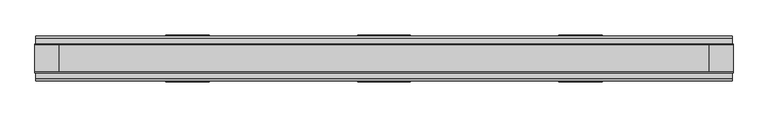
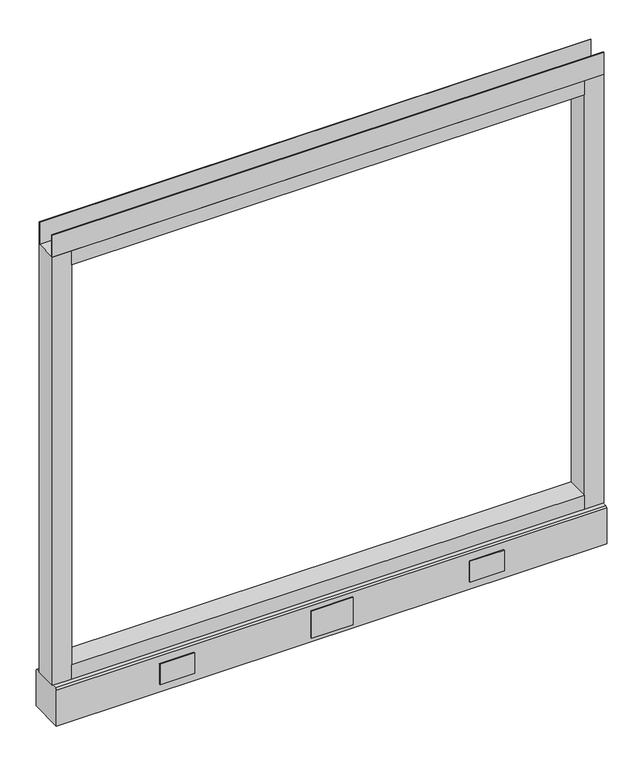
"""IFC4 building model written with IfcOpenShell, lengths in millimetres: furniture geometry."""

from ifc_helpers import new_model, si_unit, point, frame, frame_2d, origin, place, context, project, spatial, polyline, circle_curve, trimmed, segment, composite_curve, outline, extrude, source, transform, mapped, element, save
from ifc_brep_helpers import plane_surface, revolved_surface, advanced_brep


def furniture_2e969f33(model_context):
    return source(origin(), model_context, "Body", "SolidModel", [
        advanced_brep(
        [(539.75, 0.0, 6.35), (565.15, 0.0, 6.35), (533.4, 0.0, 0.0), (571.5, 0.0, 0.0)],
        [
            (0, 1, circle_curve(frame((552.45, 0.0, 6.35), z_axis=(0.0, 0.0, 1.0), x_axis=(-1.0, 0.0, 0.0)), 12.7)),
            (1, 0, circle_curve(frame((552.45, 0.0, 6.35), z_axis=(0.0, 0.0, 1.0), x_axis=(1.0, 0.0, 0.0)), 12.7)),
            (2, 3, circle_curve(frame((552.45, 0.0, 0.0), z_axis=(0.0, 0.0, -1.0), x_axis=(1.0, 0.0, 0.0)), 19.05)),
            (3, 2, circle_curve(frame((552.45, 0.0, 0.0), z_axis=(0.0, 0.0, -1.0), x_axis=(-1.0, 0.0, 0.0)), 19.05)),
            (3, 1),
            (0, 2),
        ],
        [
            plane_surface(frame((552.45, 0.0, 6.35), z_axis=(0.0, 0.0, 1.0), x_axis=(0.0, -1.0, 0.0))),
            plane_surface(frame((552.45, 0.0, 0.0), z_axis=(0.0, 0.0, -1.0), x_axis=(0.0, -1.0, 0.0))),
            revolved_surface(polyline([(539.75, 0.0, 6.35), (533.4, 0.0, 0.0)]), (552.45, 0.0, 19.05), (0.0, 0.0, -1.0)),
            revolved_surface(polyline([(565.15, 0.0, 6.35), (571.5, 0.0, 0.0)]), (552.45, 0.0, 19.05), (0.0, 0.0, -1.0)),
        ],
        [
            (0, [[1, 2]]),
            (1, [[3, 4]]),
            (2, [[-4, 5, -1, 6]]),
            (3, [[-3, -6, -2, -5]]),
        ],
    ),
        advanced_brep(
        [(-565.15, 0.0, 6.35), (-539.75, 0.0, 6.35), (-571.5, 0.0, 0.0), (-533.4, 0.0, 0.0)],
        [
            (0, 1, circle_curve(frame((-552.45, 0.0, 6.35), z_axis=(0.0, 0.0, 1.0), x_axis=(-1.0, 0.0, 0.0)), 12.7)),
            (1, 0, circle_curve(frame((-552.45, 0.0, 6.35), z_axis=(0.0, 0.0, 1.0), x_axis=(1.0, 0.0, 0.0)), 12.7)),
            (2, 3, circle_curve(frame((-552.45, 0.0, 0.0), z_axis=(0.0, 0.0, -1.0), x_axis=(1.0, 0.0, 0.0)), 19.05)),
            (3, 2, circle_curve(frame((-552.45, 0.0, 0.0), z_axis=(0.0, 0.0, -1.0), x_axis=(-1.0, 0.0, 0.0)), 19.05)),
            (3, 1),
            (0, 2),
        ],
        [
            plane_surface(frame((-552.45, 0.0, 6.35), z_axis=(0.0, 0.0, 1.0), x_axis=(0.0, -1.0, 0.0))),
            plane_surface(frame((-552.45, 0.0, 0.0), z_axis=(0.0, 0.0, -1.0), x_axis=(0.0, -1.0, 0.0))),
            revolved_surface(polyline([(-565.15, 0.0, 6.35), (-571.5, 0.0, 0.0)]), (-552.45, 0.0, 19.05), (0.0, 0.0, -1.0)),
            revolved_surface(polyline([(-539.75, 0.0, 6.35), (-533.4, 0.0, 0.0)]), (-552.45, 0.0, 19.05), (0.0, 0.0, -1.0)),
        ],
        [
            (0, [[1, 2]]),
            (1, [[3, 4]]),
            (2, [[-4, 5, -1, 6]]),
            (3, [[-3, -6, -2, -5]]),
        ],
    ),
        extrude(outline(polyline([(381.0, 39.0921875), (304.8, 39.0921875), (304.8, 41.4020035), (381.0, 41.4020035), (381.0, 39.0921875)])), frame((0.0, 0.0, 32.512), z_axis=(0.0, 0.0, 1.0), x_axis=(1.0, 0.0, 0.0)), (0.0, 0.0, 1.0), 48.26),
        extrude(outline(polyline([(45.7708, 39.0921875), (-45.7708, 39.0921875), (-45.7708, 41.4020035), (45.7708, 41.4020035), (45.7708, 39.0921875)])), frame((0.0, 0.0, 23.8125), z_axis=(0.0, 0.0, 1.0), x_axis=(1.0, 0.0, 0.0)), (0.0, 0.0, 1.0), 63.5),
        extrude(outline(polyline([(-304.8, 39.0921875), (-381.0, 39.0921875), (-381.0, 41.4020035), (-304.8, 41.4020035), (-304.8, 39.0921875)])), frame((0.0, 0.0, 32.512), z_axis=(0.0, 0.0, 1.0), x_axis=(1.0, 0.0, 0.0)), (0.0, 0.0, 1.0), 48.26),
        extrude(outline(polyline([(381.0, -41.4019923), (304.8, -41.4019923), (304.8, -39.0921875), (381.0, -39.0921875), (381.0, -41.4019923)])), frame((0.0, 0.0, 32.512), z_axis=(0.0, 0.0, 1.0), x_axis=(1.0, 0.0, 0.0)), (0.0, 0.0, 1.0), 48.26),
        extrude(outline(polyline([(-304.8, -41.4019923), (-381.0, -41.4019923), (-381.0, -39.0921875), (-304.8, -39.0921875), (-304.8, -41.4019923)])), frame((0.0, 0.0, 32.512), z_axis=(0.0, 0.0, 1.0), x_axis=(1.0, 0.0, 0.0)), (0.0, 0.0, 1.0), 48.26),
        extrude(outline(polyline([(45.7708, -41.4019923), (-45.7708, -41.4019923), (-45.7708, -39.0921875), (45.7708, -39.0921875), (45.7708, -41.4019923)])), frame((0.0, 0.0, 23.8125), z_axis=(0.0, 0.0, 1.0), x_axis=(1.0, 0.0, 0.0)), (0.0, 0.0, 1.0), 63.5),
        extrude(outline(polyline([(609.6, -23.8125), (609.6, -25.4), (-609.6, -25.4), (-609.6, -23.8125), (609.6, -23.8125)])), frame((0.0, 0.0, 1102.233), z_axis=(0.0, 0.0, 1.0), x_axis=(1.0, 0.0, 0.0)), (0.0, 0.0, 1.0), 51.435),
        extrude(outline(polyline([(609.6, 25.4), (609.6, 23.8125), (-609.6, 23.8125), (-609.6, 25.4), (609.6, 25.4)])), frame((0.0, 0.0, 1102.233), z_axis=(0.0, 0.0, 1.0), x_axis=(1.0, 0.0, 0.0)), (0.0, 0.0, 1.0), 51.435),
        extrude(outline(polyline([(566.7375, -25.4), (-566.7375, -25.4), (-566.7375, 25.4), (566.7375, 25.4), (566.7375, -25.4)])), frame((0.0, 0.0, 1069.34), z_axis=(0.0, 0.0, 1.0), x_axis=(1.0, 0.0, 0.0)), (0.0, 0.0, 1.0), 32.893),
        extrude(outline(polyline([(566.7375, -25.4), (-566.7375, -25.4), (-566.7375, 25.4), (566.7375, 25.4), (566.7375, -25.4)])), frame((0.0, 0.0, 101.6), z_axis=(0.0, 0.0, 1.0), x_axis=(1.0, 0.0, 0.0)), (0.0, 0.0, 1.0), 32.893),
        extrude(outline(composite_curve([segment(trimmed(circle_curve(frame_2d((-552.45, 0.0)), 5.55625), [point((-558.00625, 0.0))], [point((-546.89375, 0.0))], False, "CARTESIAN"), True, "CONTINUOUS"), segment(trimmed(circle_curve(frame_2d((-552.45, 0.0)), 5.55625), [point((-546.89375, 0.0))], [point((-558.00625, 0.0))], False, "CARTESIAN"), True, "CONTINUOUS")], self_intersect=False)), frame((0.0, 0.0, 6.35), z_axis=(0.0, 0.0, 1.0), x_axis=(1.0, 0.0, 0.0)), (0.0, 0.0, 1.0), 7.9375),
        extrude(outline(composite_curve([segment(trimmed(circle_curve(frame_2d((552.45, 0.0)), 5.55625), [point((546.89375, 0.0))], [point((558.00625, 0.0))], False, "CARTESIAN"), True, "CONTINUOUS"), segment(trimmed(circle_curve(frame_2d((552.45, 0.0)), 5.55625), [point((558.00625, 0.0))], [point((546.89375, 0.0))], False, "CARTESIAN"), True, "CONTINUOUS")], self_intersect=False)), frame((0.0, 0.0, 6.35), z_axis=(0.0, 0.0, 1.0), x_axis=(1.0, 0.0, 0.0)), (0.0, 0.0, 1.0), 7.9375),
        extrude(outline(polyline([(-566.7375, -25.4), (-609.6, -25.4), (-609.6, 25.4), (-566.7375, 25.4), (-566.7375, -25.4)])), frame((0.0, 0.0, 101.6), z_axis=(0.0, 0.0, 1.0), x_axis=(1.0, 0.0, 0.0)), (0.0, 0.0, 1.0), 1000.633),
        extrude(outline(polyline([(609.6, -25.4), (566.7375, -25.4), (566.7375, 25.4), (609.6, 25.4), (609.6, -25.4)])), frame((0.0, 0.0, 101.6), z_axis=(0.0, 0.0, 1.0), x_axis=(1.0, 0.0, 0.0)), (0.0, 0.0, 1.0), 1000.633),
        extrude(outline(polyline([(-35.9171875, 101.6), (35.9171875, 101.6), (39.0921875, 98.425), (39.0921875, 14.2875), (-39.0921875, 14.2875), (-39.0921875, 98.425), (-35.9171875, 101.6)])), frame((-608.457, 0.0, 0.0), z_axis=(1.0, 0.0, 0.0), x_axis=(0.0, 1.0, 0.0)), (0.0, 0.0, 1.0), 1216.9140102),
    ])


if __name__ == "__main__":
    model = new_model("IFC4")
    model_context = context("Model", 3, world=origin())
    ifc_project = project(units=[si_unit("LENGTHUNIT", "METRE", prefix="MILLI")], contexts=[model_context])
    site = spatial("IfcSite", under=ifc_project)
    building = spatial("IfcBuilding", under=site)
    placement = place(None, origin())
    furniture_shape = furniture_2e969f33(model_context)
    element("IfcFurniture", 1, at=placement, inside=building, context=model_context, shape_type="MappedRepresentation", body=[
        mapped(furniture_shape, transform((0.0, 0.0, 0.0), x_axis=(1.0, 0.0, 0.0), y_axis=(0.0, 1.0, 0.0), z_axis=(0.0, 0.0, 1.0))),
    ])
    save(model, "model.ifc")
